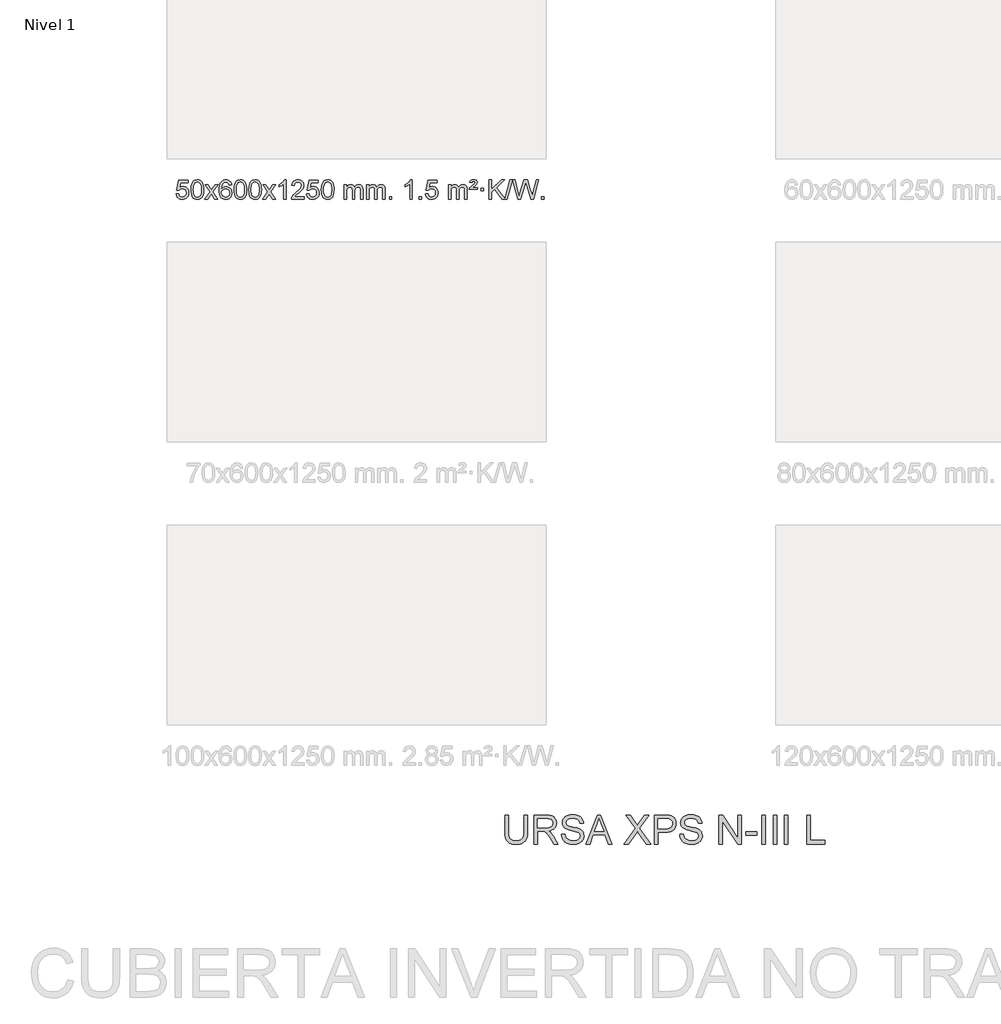
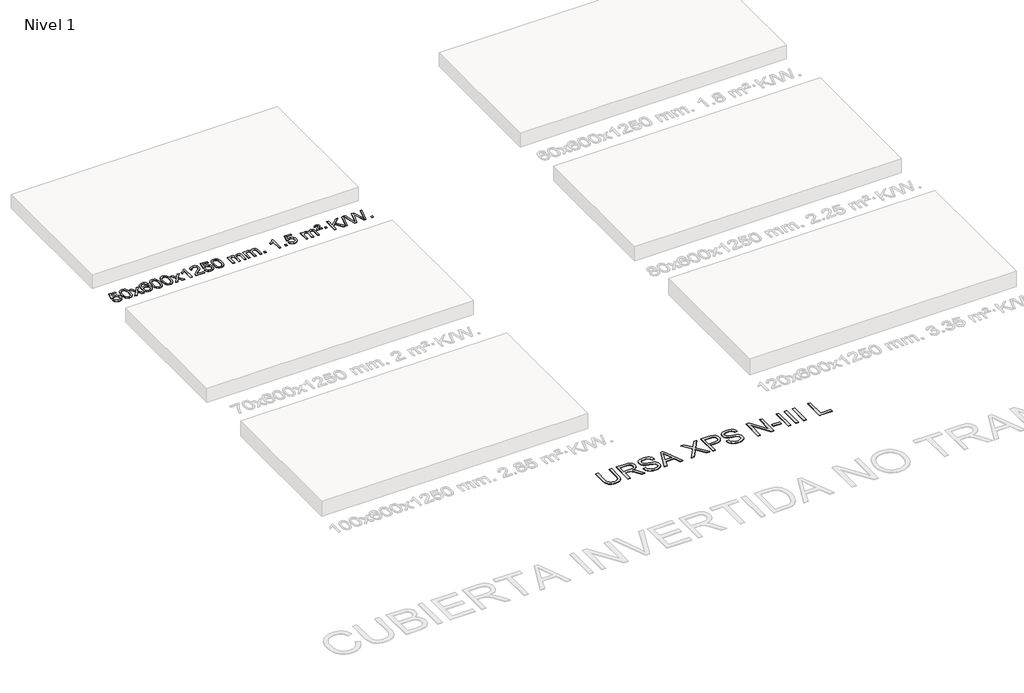
# One storey, part 4 of 7: 2 proxies.
"""IFC4 building model written with IfcOpenShell, lengths in millimetres."""

from ifc_helpers import new_model, si_unit, origin, origin_with_axes, place, context, project, spatial, polyline, outline, extrude, element, save

model = new_model("IFC4")

# Units and contexts
model_context = context("Model", 3, world=origin())
ifc_project = project(units=[si_unit("LENGTHUNIT", "METRE", prefix="MILLI")], contexts=[model_context])

# Site, building, storey
site = spatial("IfcSite", under=ifc_project)
building = spatial("IfcBuilding", under=site)
storey = spatial("IfcBuildingStorey", under=building, Name="Nivel 1", Elevation=0.0)

# Proxies
placement = place(None, origin())
element("IfcBuildingElementProxy", 1, Name="Texto de modelo 1", ObjectType="Texto de modelo 1", at=placement, inside=storey, context=model_context, shape_type="SweptSolid", body=[
    extrude(outline(polyline([(-25826.1503809, -877.8820273), (-25775.9222259, -871.603508), (-25766.7006505, -901.7575688), (-25750.6119446, -923.3522419), (-25727.7296845, -936.3384764), (-25698.1274466, -940.6672212), (-25678.9975829, -939.1619707), (-25662.124062, -934.6462192), (-25647.5068841, -927.1199667), (-25635.146049, -916.5832132), (-25625.3174684, -903.5571249), (-25618.2970537, -888.5628679), (-25612.6807219, -852.6698479), (-25617.9414344, -818.8737553), (-25624.5173251, -804.9555532), (-25633.723572, -793.0239138), (-25645.590832, -783.4528505), (-25660.149762, -776.6163768), (-25697.3426317, -771.1471978), (-25721.7086825, -773.3299643), (-25741.4394202, -779.8782638), (-25757.1970323, -789.9091796), (-25769.6437065, -802.5397947), (-25819.8718615, -796.2612753), (-25775.9222259, -589.0701357), (-25581.2881249, -589.0701357), (-25581.2881249, -639.2982907), (-25735.3080536, -639.2982907), (-25756.7923621, -749.9571949), (-25739.0665813, -737.2530033), (-25720.9116048, -728.1785808), (-25702.3274327, -722.7339272), (-25683.3140649, -720.9190427), (-25658.8529779, -723.1692543), (-25636.3845851, -729.9198889), (-25615.9088864, -741.1709466), (-25597.4258818, -756.9224273), (-25582.1250565, -776.2117066), (-25571.1958955, -798.0761598), (-25564.638399, -822.5157871), (-25562.4525668, -849.5305882), (-25564.4207355, -875.552108), (-25570.3252415, -899.7587433), (-25580.1660849, -922.1504941), (-25593.9432656, -942.7273604), (-25614.8144374, -963.8008673), (-25639.1682255, -978.8533723), (-25667.0046298, -987.8848753), (-25698.3236503, -990.8953763), (-25724.2440026, -988.9609301), (-25747.6566259, -983.1575916), (-25768.5615203, -973.4853608), (-25786.9586857, -959.9442377), (-25802.2656424, -943.2086726), (-25813.8999105, -923.9531159), (-25821.86149, -902.1775674), (-25826.1503809, -877.8820273)])), origin_with_axes(), (0.0, 0.0, 1.0), 10.0),
    extrude(outline(polyline([(-25518.5029311, -786.9415981), (-25514.8118484, -722.6235626), (-25503.7386004, -671.3285498), (-25485.3935515, -632.2717446), (-25473.5354886, -617.0383643), (-25459.8870665, -604.6683323), (-25444.4023002, -595.097269), (-25427.0352044, -588.2607953), (-25386.654024, -582.7916163), (-25355.7028855, -586.0289778), (-25327.9891085, -595.7410625), (-25304.8125428, -611.5477256), (-25287.4730381, -633.0688223), (-25274.3764391, -660.1204117), (-25263.9285904, -692.5185527), (-25257.0859853, -733.6600225), (-25254.805117, -786.9415981), (-25258.4594114, -850.8917516), (-25269.4222949, -902.0641372), (-25287.6569791, -941.1577305), (-25299.487451, -956.437096), (-25313.1266759, -968.8715075), (-25328.6298363, -978.5069501), (-25346.0521145, -985.3894091), (-25386.654024, -990.8953763), (-25414.3187501, -988.5041433), (-25438.8442164, -981.3304444), (-25460.2304231, -969.3742795), (-25478.47737, -952.6356488), (-25495.988553, -922.3773547), (-25508.4965408, -884.6755815), (-25516.0013335, -839.5303293), (-25518.5029311, -786.9415981)]), holes=[polyline([(-25468.274776, -786.8434963), (-25466.803248, -830.5080234), (-25462.3886641, -865.8522861), (-25455.0310242, -892.8762843), (-25444.7303283, -911.5800181), (-25432.2713914, -924.3056694), (-25418.4390284, -933.3954204), (-25403.2332393, -938.849271), (-25386.654024, -940.6672212), (-25370.0748088, -938.8431396), (-25354.8690196, -933.3708949), (-25341.0366566, -924.2504871), (-25328.5777197, -911.4819162), (-25318.2770239, -892.7475256), (-25310.919384, -865.7296588), (-25306.5048, -830.4283156), (-25305.033272, -786.8434963), (-25306.4557491, -744.3347317), (-25310.7231802, -709.6128027), (-25317.8355655, -682.6777093), (-25327.7929048, -663.5294515), (-25340.0433752, -650.1814664), (-25354.0351538, -640.6471914), (-25369.7682404, -634.9266264), (-25387.2426352, -633.0197713), (-25403.7360113, -634.6997658), (-25418.6842831, -639.7397491), (-25432.0874504, -648.1397213), (-25443.9455134, -659.8996825), (-25454.5895658, -680.7463289), (-25462.1924604, -708.8525133), (-25466.7541971, -744.2182358), (-25468.274776, -786.8434963)])]), origin_with_axes(), (0.0, 0.0, 1.0), 10.0),
    extrude(outline(polyline([(-25229.6910394, -984.6168569), (-25122.3675987, -836.2868364), (-25223.41252, -689.5264458), (-25162.981771, -689.5264458), (-25114.2251439, -760.1597889), (-25091.4655111, -793.5144231), (-25071.7470362, -766.2421045), (-25016.2213804, -689.5264458), (-24955.7906313, -689.5264458), (-25061.9368496, -836.2868364), (-24959.7147059, -984.6168569), (-25020.145455, -984.6168569), (-25081.6553246, -895.4422612), (-25092.9370391, -879.1573516), (-25169.2602903, -984.6168569), (-25229.6910394, -984.6168569)])), origin_with_axes(), (0.0, 0.0, 1.0), 10.0),
    extrude(outline(polyline([(-24670.9028142, -689.5264458), (-24721.1309693, -695.8049652), (-24729.2243732, -670.9116168), (-24740.1627312, -653.9154687), (-24762.9468894, -638.2436957), (-24790.4889881, -633.0197713), (-24813.8372321, -636.0609292), (-24835.8120499, -645.1844027), (-24854.6843963, -664.4001055), (-24870.0986519, -690.850821), (-24880.5097123, -728.2644199), (-24884.3724733, -780.3687731), (-24864.2248027, -756.8611137), (-24840.0794811, -740.2941611), (-24813.2854091, -730.4717119), (-24785.1914874, -727.1975621), (-24761.0584285, -729.4355109), (-24738.7893051, -736.1493573), (-24718.3841171, -747.3391013), (-24699.8428645, -763.004743), (-24684.4347403, -782.2143145), (-24673.4289372, -804.0358482), (-24666.8254554, -828.469344), (-24664.6242948, -855.514802), (-24668.7690986, -891.4813984), (-24681.2035101, -924.8237699), (-24700.8974596, -953.1016326), (-24726.8208775, -973.8747026), (-24757.7965415, -986.6402078), (-24792.6472291, -990.8953763), (-24822.5897579, -988.0749476), (-24849.6321502, -979.6136617), (-24873.7744061, -965.5115186), (-24895.0165257, -945.7685182), (-24912.3345706, -919.5507947), (-24924.7046027, -886.0244822), (-24932.1266219, -845.1895807), (-24934.6006284, -797.0460903), (-24931.8537761, -743.0716702), (-24923.6132194, -697.006713), (-24909.8789583, -658.8512188), (-24890.6509927, -628.6051874), (-24869.8104776, -608.56175), (-24845.6467619, -594.2450091), (-24818.1598455, -585.6549645), (-24787.3497284, -582.7916163), (-24764.2160823, -584.5635812), (-24743.2774654, -589.879476), (-24724.5338777, -598.7393008), (-24707.9853193, -611.1430554), (-24694.0793799, -626.6738069), (-24683.2636492, -644.9146225), (-24675.5381274, -665.8655021), (-24670.9028142, -689.5264458)]), holes=[polyline([(-24884.3724733, -854.7299871), (-24881.4662055, -876.9868478), (-24872.7474022, -898.2381644), (-24859.2093448, -916.5096368), (-24841.8453146, -929.8269651), (-24820.8883036, -937.9571571), (-24796.5713038, -940.6672212), (-24763.425136, -935.0508894), (-24749.5099995, -928.0304746), (-24737.366828, -918.201894), (-24727.5167876, -905.9636863), (-24720.4810444, -891.7143904), (-24714.8524499, -857.1825337), (-24720.407468, -824.036366), (-24727.3512407, -810.4155351), (-24737.0725224, -798.7628729), (-24749.2524821, -789.4278673), (-24763.5722888, -782.7600061), (-24798.6314429, -777.4257172), (-24831.7285598, -782.7600061), (-24859.4055485, -798.7628729), (-24870.3285781, -810.2622509), (-24878.1307421, -823.4232293), (-24882.8120405, -838.245808), (-24884.3724733, -854.7299871)])]), origin_with_axes(), (0.0, 0.0, 1.0), 10.0),
    extrude(outline(polyline([(-24620.6746591, -786.9415981), (-24616.9835765, -722.6235626), (-24605.9103284, -671.3285498), (-24587.5652796, -632.2717446), (-24575.7072166, -617.0383643), (-24562.0587946, -604.6683323), (-24546.5740283, -595.097269), (-24529.2069324, -588.2607953), (-24488.8257521, -582.7916163), (-24457.8746135, -586.0289778), (-24430.1608366, -595.7410625), (-24406.9842709, -611.5477256), (-24389.6447662, -633.0688223), (-24376.5481671, -660.1204117), (-24366.1003185, -692.5185527), (-24359.2577134, -733.6600225), (-24356.976845, -786.9415981), (-24360.6311395, -850.8917516), (-24371.5940229, -902.0641372), (-24389.8287072, -941.1577305), (-24401.659179, -956.437096), (-24415.298404, -968.8715075), (-24430.8015644, -978.5069501), (-24448.2238425, -985.3894091), (-24488.8257521, -990.8953763), (-24516.4904781, -988.5041433), (-24541.0159444, -981.3304444), (-24562.4021511, -969.3742795), (-24580.6490981, -952.6356488), (-24598.160281, -922.3773547), (-24610.6682689, -884.6755815), (-24618.1730616, -839.5303293), (-24620.6746591, -786.9415981)]), holes=[polyline([(-24570.4465041, -786.8434963), (-24568.9749761, -830.5080234), (-24564.5603921, -865.8522861), (-24557.2027522, -892.8762843), (-24546.9020564, -911.5800181), (-24534.4431195, -924.3056694), (-24520.6107564, -933.3954204), (-24505.4049673, -938.849271), (-24488.8257521, -940.6672212), (-24472.2465368, -938.8431396), (-24457.0407477, -933.3708949), (-24443.2083847, -924.2504871), (-24430.7494478, -911.4819162), (-24420.4487519, -892.7475256), (-24413.091112, -865.7296588), (-24408.676528, -830.4283156), (-24407.2050001, -786.8434963), (-24408.6274771, -744.3347317), (-24412.8949083, -709.6128027), (-24420.0072935, -682.6777093), (-24429.9646328, -663.5294515), (-24442.2151033, -650.1814664), (-24456.2068818, -640.6471914), (-24471.9399685, -634.9266264), (-24489.4143633, -633.0197713), (-24505.9077394, -634.6997658), (-24520.8560111, -639.7397491), (-24534.2591785, -648.1397213), (-24546.1172414, -659.8996825), (-24556.7612938, -680.7463289), (-24564.3641884, -708.8525133), (-24568.9259251, -744.2182358), (-24570.4465041, -786.8434963)])]), origin_with_axes(), (0.0, 0.0, 1.0), 10.0),
    extrude(outline(polyline([(-24313.0272093, -786.9415981), (-24309.3361266, -722.6235626), (-24298.2628786, -671.3285498), (-24279.9178297, -632.2717446), (-24268.0597668, -617.0383643), (-24254.4113447, -604.6683323), (-24238.9265784, -595.097269), (-24221.5594826, -588.2607953), (-24181.1783022, -582.7916163), (-24150.2271637, -586.0289778), (-24122.5133867, -595.7410625), (-24099.336821, -611.5477256), (-24081.9973163, -633.0688223), (-24068.9007173, -660.1204117), (-24058.4528686, -692.5185527), (-24051.6102635, -733.6600225), (-24049.3293952, -786.9415981), (-24052.9836896, -850.8917516), (-24063.9465731, -902.0641372), (-24082.1812573, -941.1577305), (-24094.0117292, -956.437096), (-24107.6509541, -968.8715075), (-24123.1541145, -978.5069501), (-24140.5763927, -985.3894091), (-24181.1783022, -990.8953763), (-24208.8430283, -988.5041433), (-24233.3684946, -981.3304444), (-24254.7547013, -969.3742795), (-24273.0016482, -952.6356488), (-24290.5128312, -922.3773547), (-24303.020819, -884.6755815), (-24310.5256117, -839.5303293), (-24313.0272093, -786.9415981)]), holes=[polyline([(-24262.7990542, -786.8434963), (-24261.3275262, -830.5080234), (-24256.9129423, -865.8522861), (-24249.5553024, -892.8762843), (-24239.2546065, -911.5800181), (-24226.7956696, -924.3056694), (-24212.9633066, -933.3954204), (-24197.7575175, -938.849271), (-24181.1783022, -940.6672212), (-24164.599087, -938.8431396), (-24149.3932978, -933.3708949), (-24135.5609348, -924.2504871), (-24123.1019979, -911.4819162), (-24112.8013021, -892.7475256), (-24105.4436622, -865.7296588), (-24101.0290782, -830.4283156), (-24099.5575502, -786.8434963), (-24100.9800273, -744.3347317), (-24105.2474584, -709.6128027), (-24112.3598437, -682.6777093), (-24122.317183, -663.5294515), (-24134.5676534, -650.1814664), (-24148.559432, -640.6471914), (-24164.2925187, -634.9266264), (-24181.7669134, -633.0197713), (-24198.2602895, -634.6997658), (-24213.2085613, -639.7397491), (-24226.6117286, -648.1397213), (-24238.4697916, -659.8996825), (-24249.113844, -680.7463289), (-24256.7167386, -708.8525133), (-24261.2784753, -744.2182358), (-24262.7990542, -786.8434963)])]), origin_with_axes(), (0.0, 0.0, 1.0), 10.0),
    extrude(outline(polyline([(-24024.2153176, -984.6168569), (-23916.8918769, -836.2868364), (-24017.9367982, -689.5264458), (-23957.5060492, -689.5264458), (-23908.7494221, -760.1597889), (-23885.9897893, -793.5144231), (-23866.2713144, -766.2421045), (-23810.7456586, -689.5264458), (-23750.3149095, -689.5264458), (-23856.4611278, -836.2868364), (-23754.2389841, -984.6168569), (-23814.6697332, -984.6168569), (-23876.1796028, -895.4422612), (-23887.4613173, -879.1573516), (-23963.7845685, -984.6168569), (-24024.2153176, -984.6168569)])), origin_with_axes(), (0.0, 0.0, 1.0), 10.0),
    extrude(outline(polyline([(-23534.4908056, -984.6168569), (-23584.7189607, -984.6168569), (-23584.7189607, -671.4757026), (-23605.6882344, -688.4350626), (-23632.2983654, -705.3698971), (-23685.1752709, -730.7292293), (-23685.1752709, -683.2479264), (-23645.7260583, -661.7881434), (-23611.5498209, -636.2571329), (-23584.6085961, -609.1074417), (-23566.8644212, -582.7916163), (-23534.4908056, -582.7916163), (-23534.4908056, -984.6168569)])), origin_with_axes(), (0.0, 0.0, 1.0), 10.0),
    extrude(outline(polyline([(-23157.7796426, -934.3887018), (-23157.7796426, -984.6168569), (-23421.4774567, -984.6168569), (-23420.3738107, -966.9339956), (-23416.0818541, -949.9868984), (-23403.6964936, -922.9230463), (-23385.572174, -896.6685346), (-23359.3544505, -869.1877495), (-23322.6888783, -838.4450775), (-23268.4875977, -790.301587), (-23235.9668293, -754.7641863), (-23219.7064451, -725.9222379), (-23214.286317, -697.8651044), (-23219.3998768, -672.7142386), (-23234.740556, -651.8062786), (-23258.3217919, -637.7163982), (-23288.1570217, -633.0197713), (-23319.4883049, -637.6060336), (-23343.8298303, -651.3648202), (-23359.5383915, -673.2170107), (-23364.9707823, -702.0834846), (-23415.1989373, -695.8049652), (-23410.8793896, -669.8754159), (-23403.0220433, -647.2200164), (-23391.6268985, -627.8387666), (-23376.6939552, -611.7316666), (-23358.5665699, -599.0703946), (-23337.5880991, -590.0266288), (-23313.7585429, -584.6003694), (-23287.0779012, -582.7916163), (-23260.1581362, -584.8027045), (-23236.1998212, -590.8359692), (-23215.2029563, -600.8914104), (-23197.1675415, -614.9690281), (-23182.682188, -632.02649), (-23172.3355069, -651.0214636), (-23166.1274982, -671.9539492), (-23164.058162, -694.8239465), (-23166.2899794, -718.8466408), (-23172.9854317, -742.4524022), (-23184.8680202, -766.4628337), (-23202.661246, -791.6995386), (-23231.0249478, -821.829074), (-23274.6189643, -860.5179972), (-23332.400963, -908.8331659), (-23355.0624939, -934.3887018), (-23157.7796426, -934.3887018)])), origin_with_axes(), (0.0, 0.0, 1.0), 10.0),
    extrude(outline(polyline([(-23107.5514875, -877.8820273), (-23057.3233324, -871.603508), (-23048.1017571, -901.7575688), (-23032.0130512, -923.3522419), (-23009.1307911, -936.3384764), (-22979.5285532, -940.6672212), (-22960.3986894, -939.1619707), (-22943.5251686, -934.6462192), (-22928.9079907, -927.1199667), (-22916.5471556, -916.5832132), (-22906.718575, -903.5571249), (-22899.6981602, -888.5628679), (-22894.0818284, -852.6698479), (-22899.342541, -818.8737553), (-22905.9184316, -804.9555532), (-22915.1246786, -793.0239138), (-22926.9919386, -783.4528505), (-22941.5508686, -776.6163768), (-22978.7437383, -771.1471978), (-23003.1097891, -773.3299643), (-23022.8405268, -779.8782638), (-23038.5981389, -789.9091796), (-23051.044813, -802.5397947), (-23101.2729681, -796.2612753), (-23057.3233324, -589.0701357), (-22862.6892315, -589.0701357), (-22862.6892315, -639.2982907), (-23016.7091602, -639.2982907), (-23038.1934687, -749.9571949), (-23020.4676879, -737.2530033), (-23002.3127114, -728.1785808), (-22983.7285393, -722.7339272), (-22964.7151715, -720.9190427), (-22940.2540845, -723.1692543), (-22917.7856917, -729.9198889), (-22897.3099929, -741.1709466), (-22878.8269884, -756.9224273), (-22863.5261631, -776.2117066), (-22852.5970021, -798.0761598), (-22846.0395056, -822.5157871), (-22843.8536734, -849.5305882), (-22845.821842, -875.552108), (-22851.7263481, -899.7587433), (-22861.5671914, -922.1504941), (-22875.3443722, -942.7273604), (-22896.215544, -963.8008673), (-22920.5693321, -978.8533723), (-22948.4057364, -987.8848753), (-22979.7247569, -990.8953763), (-23005.6451092, -988.9609301), (-23029.0577325, -983.1575916), (-23049.9626268, -973.4853608), (-23068.3597923, -959.9442377), (-23083.666749, -943.2086726), (-23095.3010171, -923.9531159), (-23103.2625966, -902.1775674), (-23107.5514875, -877.8820273)])), origin_with_axes(), (0.0, 0.0, 1.0), 10.0),
    extrude(outline(polyline([(-22799.9040377, -786.9415981), (-22796.212955, -722.6235626), (-22785.1397069, -671.3285498), (-22766.7946581, -632.2717446), (-22754.9365951, -617.0383643), (-22741.2881731, -604.6683323), (-22725.8034068, -595.097269), (-22708.4363109, -588.2607953), (-22668.0551306, -582.7916163), (-22637.1039921, -586.0289778), (-22609.3902151, -595.7410625), (-22586.2136494, -611.5477256), (-22568.8741447, -633.0688223), (-22555.7775457, -660.1204117), (-22545.329697, -692.5185527), (-22538.4870919, -733.6600225), (-22536.2062235, -786.9415981), (-22539.860518, -850.8917516), (-22550.8234015, -902.0641372), (-22569.0580857, -941.1577305), (-22580.8885575, -956.437096), (-22594.5277825, -968.8715075), (-22610.0309429, -978.5069501), (-22627.4532211, -985.3894091), (-22668.0551306, -990.8953763), (-22695.7198566, -988.5041433), (-22720.245323, -981.3304444), (-22741.6315296, -969.3742795), (-22759.8784766, -952.6356488), (-22777.3896596, -922.3773547), (-22789.8976474, -884.6755815), (-22797.4024401, -839.5303293), (-22799.9040377, -786.9415981)]), holes=[polyline([(-22749.6758826, -786.8434963), (-22748.2043546, -830.5080234), (-22743.7897707, -865.8522861), (-22736.4321308, -892.8762843), (-22726.1314349, -911.5800181), (-22713.672498, -924.3056694), (-22699.840135, -933.3954204), (-22684.6343459, -938.849271), (-22668.0551306, -940.6672212), (-22651.4759154, -938.8431396), (-22636.2701262, -933.3708949), (-22622.4377632, -924.2504871), (-22609.9788263, -911.4819162), (-22599.6781304, -892.7475256), (-22592.3204905, -865.7296588), (-22587.9059066, -830.4283156), (-22586.4343786, -786.8434963), (-22587.8568557, -744.3347317), (-22592.1242868, -709.6128027), (-22599.236672, -682.6777093), (-22609.1940114, -663.5294515), (-22621.4444818, -650.1814664), (-22635.4362604, -640.6471914), (-22651.169347, -634.9266264), (-22668.6437418, -633.0197713), (-22685.1371179, -634.6997658), (-22700.0853897, -639.7397491), (-22713.488557, -648.1397213), (-22725.34662, -659.8996825), (-22735.9906724, -680.7463289), (-22743.5935669, -708.8525133), (-22748.1553037, -744.2182358), (-22749.6758826, -786.8434963)])]), origin_with_axes(), (0.0, 0.0, 1.0), 10.0),
    extrude(outline(polyline([(-22322.7365645, -984.6168569), (-22322.7365645, -689.5264458), (-22272.5084094, -689.5264458), (-22272.5084094, -738.0868692), (-22257.4007221, -715.7809575), (-22237.9765528, -698.3065628), (-22214.8980889, -687.0125855), (-22188.8275182, -683.2479264), (-22160.8930121, -687.0861619), (-22138.5012613, -698.6008684), (-22121.7748932, -717.0317563), (-22110.8365352, -741.6185363), (-22092.5282746, -716.0813945), (-22071.64484, -697.8405789), (-22048.1862315, -686.8960895), (-22022.1524489, -683.2479264), (-22002.0446322, -684.7654397), (-21984.3954935, -689.3179793), (-21969.2050328, -696.9055455), (-21956.4732501, -707.5281381), (-21946.4086118, -721.3083845), (-21939.2195845, -738.368912), (-21934.9061681, -758.7097207), (-21933.4683626, -782.3308105), (-21933.4683626, -984.6168569), (-21983.6965177, -984.6168569), (-21983.6965177, -803.9132208), (-21984.8614774, -778.860457), (-21988.3563563, -761.9746734), (-21994.9046558, -750.410916), (-22005.2298772, -741.3242307), (-22018.5104172, -735.4381188), (-22033.9246728, -733.4760815), (-22061.1356777, -738.5038021), (-22083.318962, -753.5869639), (-22091.924335, -765.1568526), (-22098.07103, -779.7556365), (-22102.988386, -818.0398895), (-22102.988386, -984.6168569), (-22153.2165411, -984.6168569), (-22153.2165411, -798.3214145), (-22156.1228088, -769.9209245), (-22164.8416121, -749.6628893), (-22180.1822913, -737.5227834), (-22202.9541868, -733.4760815), (-22222.3047798, -736.1738828), (-22240.1347938, -744.2672867), (-22254.8500736, -757.5600894), (-22264.8564639, -775.8560873), (-22270.595423, -801.239945), (-22272.5084094, -835.7963271), (-22272.5084094, -984.6168569), (-22322.7365645, -984.6168569)])), origin_with_axes(), (0.0, 0.0, 1.0), 10.0),
    extrude(outline(polyline([(-21858.12613, -984.6168569), (-21858.12613, -689.5264458), (-21807.8979749, -689.5264458), (-21807.8979749, -738.0868692), (-21792.7902877, -715.7809575), (-21773.3661183, -698.3065628), (-21750.2876545, -687.0125855), (-21724.2170838, -683.2479264), (-21696.2825776, -687.0861619), (-21673.8908268, -698.6008684), (-21657.1644588, -717.0317563), (-21646.2261008, -741.6185363), (-21627.9178402, -716.0813945), (-21607.0344056, -697.8405789), (-21583.575797, -686.8960895), (-21557.5420145, -683.2479264), (-21537.4341978, -684.7654397), (-21519.7850591, -689.3179793), (-21504.5945983, -696.9055455), (-21491.8628156, -707.5281381), (-21481.7981774, -721.3083845), (-21474.6091501, -738.368912), (-21470.2957337, -758.7097207), (-21468.8579282, -782.3308105), (-21468.8579282, -984.6168569), (-21519.0860833, -984.6168569), (-21519.0860833, -803.9132208), (-21520.2510429, -778.860457), (-21523.7459219, -761.9746734), (-21530.2942214, -750.410916), (-21540.6194427, -741.3242307), (-21553.8999827, -735.4381188), (-21569.3142383, -733.4760815), (-21596.5252433, -738.5038021), (-21618.7085276, -753.5869639), (-21627.3139006, -765.1568526), (-21633.4605956, -779.7556365), (-21638.3779516, -818.0398895), (-21638.3779516, -984.6168569), (-21688.6061066, -984.6168569), (-21688.6061066, -798.3214145), (-21691.5123744, -769.9209245), (-21700.2311777, -749.6628893), (-21715.5718569, -737.5227834), (-21738.3437524, -733.4760815), (-21757.6943453, -736.1738828), (-21775.5243594, -744.2672867), (-21790.2396392, -757.5600894), (-21800.2460294, -775.8560873), (-21805.9849886, -801.239945), (-21807.8979749, -835.7963271), (-21807.8979749, -984.6168569), (-21858.12613, -984.6168569)])), origin_with_axes(), (0.0, 0.0, 1.0), 10.0),
    extrude(outline(polyline([(-21380.9586568, -984.6168569), (-21380.9586568, -934.3887018), (-21330.7305017, -934.3887018), (-21330.7305017, -984.6168569), (-21380.9586568, -984.6168569)])), origin_with_axes(), (0.0, 0.0, 1.0), 10.0),
    extrude(outline(polyline([(-20903.7911836, -984.6168569), (-20954.0193387, -984.6168569), (-20954.0193387, -671.4757026), (-20974.9886124, -688.4350626), (-21001.5987434, -705.3698971), (-21054.4756488, -730.7292293), (-21054.4756488, -683.2479264), (-21015.0264362, -661.7881434), (-20980.8501989, -636.2571329), (-20953.9089741, -609.1074417), (-20936.1647992, -582.7916163), (-20903.7911836, -582.7916163), (-20903.7911836, -984.6168569)])), origin_with_axes(), (0.0, 0.0, 1.0), 10.0),
    extrude(outline(polyline([(-20759.3852378, -984.6168569), (-20759.3852378, -934.3887018), (-20709.1570827, -934.3887018), (-20709.1570827, -984.6168569), (-20759.3852378, -984.6168569)])), origin_with_axes(), (0.0, 0.0, 1.0), 10.0),
    extrude(outline(polyline([(-20627.5363307, -877.8820273), (-20577.3081756, -871.603508), (-20568.0866003, -901.7575688), (-20551.9978943, -923.3522419), (-20529.1156342, -936.3384764), (-20499.5133964, -940.6672212), (-20480.3835326, -939.1619707), (-20463.5100118, -934.6462192), (-20448.8928338, -927.1199667), (-20436.5319988, -916.5832132), (-20426.7034182, -903.5571249), (-20419.6830034, -888.5628679), (-20414.0666716, -852.6698479), (-20419.3273842, -818.8737553), (-20425.9032748, -804.9555532), (-20435.1095217, -793.0239138), (-20446.9767818, -783.4528505), (-20461.5357117, -776.6163768), (-20498.7285814, -771.1471978), (-20523.0946323, -773.3299643), (-20542.8253699, -779.8782638), (-20558.5829821, -789.9091796), (-20571.0296562, -802.5397947), (-20621.2578113, -796.2612753), (-20577.3081756, -589.0701357), (-20382.6740747, -589.0701357), (-20382.6740747, -639.2982907), (-20536.6940033, -639.2982907), (-20558.1783119, -749.9571949), (-20540.4525311, -737.2530033), (-20522.2975546, -728.1785808), (-20503.7133825, -722.7339272), (-20484.7000147, -720.9190427), (-20460.2389277, -723.1692543), (-20437.7705348, -729.9198889), (-20417.2948361, -741.1709466), (-20398.8118316, -756.9224273), (-20383.5110062, -776.2117066), (-20372.5818453, -798.0761598), (-20366.0243487, -822.5157871), (-20363.8385165, -849.5305882), (-20365.8066852, -875.552108), (-20371.7111912, -899.7587433), (-20381.5520346, -922.1504941), (-20395.3292153, -942.7273604), (-20416.2003872, -963.8008673), (-20440.5541753, -978.8533723), (-20468.3905796, -987.8848753), (-20499.7096001, -990.8953763), (-20525.6299523, -988.9609301), (-20549.0425757, -983.1575916), (-20569.94747, -973.4853608), (-20588.3446355, -959.9442377), (-20603.6515922, -943.2086726), (-20615.2858603, -923.9531159), (-20623.2474398, -902.1775674), (-20627.5363307, -877.8820273)])), origin_with_axes(), (0.0, 0.0, 1.0), 10.0),
    extrude(outline(polyline([(-20150.3688575, -984.6168569), (-20150.3688575, -689.5264458), (-20100.1407024, -689.5264458), (-20100.1407024, -738.0868692), (-20085.0330151, -715.7809575), (-20065.6088458, -698.3065628), (-20042.530382, -687.0125855), (-20016.4598112, -683.2479264), (-19988.5253051, -687.0861619), (-19966.1335543, -698.6008684), (-19949.4071862, -717.0317563), (-19938.4688283, -741.6185363), (-19920.1605676, -716.0813945), (-19899.277133, -697.8405789), (-19875.8185245, -686.8960895), (-19849.784742, -683.2479264), (-19829.6769252, -684.7654397), (-19812.0277865, -689.3179793), (-19796.8373258, -696.9055455), (-19784.1055431, -707.5281381), (-19774.0409048, -721.3083845), (-19766.8518775, -738.368912), (-19762.5384611, -758.7097207), (-19761.1006556, -782.3308105), (-19761.1006556, -984.6168569), (-19811.3288107, -984.6168569), (-19811.3288107, -803.9132208), (-19812.4937704, -778.860457), (-19815.9886493, -761.9746734), (-19822.5369488, -750.410916), (-19832.8621702, -741.3242307), (-19846.1427102, -735.4381188), (-19861.5569658, -733.4760815), (-19888.7679707, -738.5038021), (-19910.951255, -753.5869639), (-19919.556628, -765.1568526), (-19925.703323, -779.7556365), (-19930.620679, -818.0398895), (-19930.620679, -984.6168569), (-19980.8488341, -984.6168569), (-19980.8488341, -798.3214145), (-19983.7551019, -769.9209245), (-19992.4739051, -749.6628893), (-20007.8145843, -737.5227834), (-20030.5864798, -733.4760815), (-20049.9370728, -736.1738828), (-20067.7670868, -744.2672867), (-20082.4823666, -757.5600894), (-20092.4887569, -775.8560873), (-20098.227716, -801.239945), (-20100.1407024, -835.7963271), (-20100.1407024, -984.6168569), (-20150.3688575, -984.6168569)])), origin_with_axes(), (0.0, 0.0, 1.0), 10.0),
    extrude(outline(polyline([(-19717.15102, -783.7042366), (-19713.3250472, -767.8853108), (-19704.9863887, -752.0173341), (-19683.4775547, -726.878731), (-19651.520872, -699.1404286), (-19607.3750326, -661.7636179), (-19600.2381219, -650.2366487), (-19597.8591517, -638.4153739), (-19599.7476126, -626.324319), (-19605.4129953, -616.538658), (-19614.7817234, -610.0639348), (-19627.7802206, -607.9056938), (-19640.214632, -609.5243746), (-19649.0683254, -614.3804169), (-19655.4939976, -623.8472469), (-19660.6443455, -639.2982907), (-19710.8725006, -633.0197713), (-19700.0322444, -607.8075919), (-19683.4039783, -590.247358), (-19659.6388014, -579.9466622), (-19627.3878131, -576.5130969), (-19591.6051577, -580.645638), (-19566.8589622, -593.0432612), (-19552.437988, -611.3760473), (-19547.6309966, -633.3140769), (-19551.7267495, -656.2208625), (-19564.0140081, -677.8523238), (-19584.5418234, -697.6689006), (-19621.0111919, -725.7260341), (-19646.6157788, -752.3116396), (-19547.6309966, -752.3116396), (-19547.6309966, -783.7042366), (-19717.15102, -783.7042366)])), origin_with_axes(), (0.0, 0.0, 1.0), 10.0),
    extrude(outline(polyline([(-19472.288764, -808.8183141), (-19472.288764, -758.590159), (-19422.0606089, -758.590159), (-19422.0606089, -808.8183141), (-19472.288764, -808.8183141)])), origin_with_axes(), (0.0, 0.0, 1.0), 10.0),
    extrude(outline(polyline([(-19031.4189809, -984.6168569), (-19184.8502984, -781.938403), (-19252.5405855, -846.4894304), (-19252.5405855, -984.6168569), (-19302.7687406, -984.6168569), (-19302.7687406, -582.7916163), (-19252.5405855, -582.7916163), (-19252.5405855, -779.4858564), (-19046.5266682, -582.7916163), (-18976.2857326, -582.7916163), (-19149.2393213, -747.9951576), (-18974.5857114, -978.5723371), (-18863.2723837, -582.7916163), (-18817.9493219, -582.7916163), (-18930.9626708, -984.6168569), (-18970.0072132, -984.6168569), (-18976.2857326, -984.6168569), (-19031.4189809, -984.6168569)])), origin_with_axes(), (0.0, 0.0, 1.0), 10.0),
    extrude(outline(polyline([(-18703.464445, -984.6168569), (-18813.0442286, -582.7916163), (-18761.2464437, -582.7916163), (-18697.6764349, -846.8818379), (-18678.0560618, -928.404488), (-18657.0622627, -856.299617), (-18577.403548, -582.7916163), (-18502.7480284, -582.7916163), (-18444.8679278, -781.0554862), (-18420.0726814, -854.6318852), (-18401.8012089, -928.404488), (-18382.7694471, -849.2362826), (-18318.6108271, -582.7916163), (-18266.8130422, -582.7916163), (-18376.4909277, -984.6168569), (-18430.152648, -984.6168569), (-18526.4886798, -674.6149623), (-18539.9286354, -631.3520396), (-18555.0363227, -683.4441302), (-18642.8374922, -984.6168569), (-18703.464445, -984.6168569)])), origin_with_axes(), (0.0, 0.0, 1.0), 10.0),
    extrude(outline(polyline([(-18210.3063677, -984.6168569), (-18210.3063677, -934.3887018), (-18160.0782126, -934.3887018), (-18160.0782126, -984.6168569), (-18210.3063677, -984.6168569)])), origin_with_axes(), (0.0, 0.0, 1.0), 10.0),
])
element("IfcBuildingElementProxy", 2, Name="Texto de modelo 3", ObjectType="Texto de modelo 3", at=placement, inside=storey, context=model_context, shape_type="SweptSolid", body=[
    extrude(outline(polyline([(-18576.063677, -13823.3522814), (-18500.7214443, -13823.3522814), (-18500.7214443, -14171.0743432), (-18505.8350041, -14252.5050228), (-18512.2269537, -14286.1984151), (-18521.1756833, -14315.2105089), (-18533.4537449, -14340.6403518), (-18549.8336907, -14363.5869913), (-18570.3155208, -14384.0504273), (-18594.8992351, -14402.0306598), (-18623.6124248, -14416.6769617), (-18656.4826811, -14427.1386059), (-18693.5100039, -14433.4155925), (-18734.6943933, -14435.5079213), (-18774.8625086, -14433.6869055), (-18811.1954542, -14428.2238578), (-18843.6932299, -14419.1187784), (-18872.3558359, -14406.3716673), (-18897.1878705, -14390.1710639), (-18918.1939325, -14370.7055079), (-18935.3740216, -14347.9749991), (-18948.7281381, -14321.9795376), (-18958.7391269, -14291.8270096), (-18965.8898331, -14256.6253012), (-18970.1802569, -14216.3744124), (-18971.6103982, -14171.0743432), (-18971.6103982, -13823.3522814), (-18896.2681656, -13823.3522814), (-18896.2681656, -14168.4255928), (-18892.5525574, -14236.134274), (-18881.405733, -14283.2783517), (-18872.6409444, -14300.6561775), (-18861.2090114, -14315.9278788), (-18847.109934, -14329.0934557), (-18830.343712, -14340.1529082), (-18790.0974218, -14355.1624936), (-18741.7577276, -14360.1656887), (-18700.2330474, -14357.6916823), (-18665.127908, -14350.269663), (-18636.4423094, -14337.899631), (-18614.1762517, -14320.581586), (-18597.5020002, -14296.227798), (-18585.5918206, -14262.7505364), (-18578.4457129, -14220.1498014), (-18576.063677, -14168.4255928), (-18576.063677, -13823.3522814)])), origin_with_axes(), (0.0, 0.0, 1.0), 10.0),
    extrude(outline(polyline([(-18368.8725373, -14426.0901423), (-18368.8725373, -13823.3522814), (-18109.1478487, -13823.3522814), (-18039.3422401, -13827.4173774), (-17988.5561307, -13839.6126655), (-17968.9572174, -13849.3063561), (-17951.4368373, -13862.1270436), (-17935.9949906, -13878.0747281), (-17922.6316771, -13897.1494096), (-17911.8481361, -13918.3256169), (-17904.1456069, -13940.5778791), (-17899.5240893, -13963.9061961), (-17897.9835834, -13988.310568), (-17900.5357648, -14019.2678379), (-17908.1923088, -14047.686722), (-17920.9532155, -14073.5672204), (-17938.8184849, -14096.909333), (-17962.0180432, -14116.9680988), (-17990.7818167, -14132.9985567), (-18025.1098054, -14145.0007068), (-18065.0020093, -14152.974549), (-18040.1699746, -14169.198145), (-18022.180545, -14185.2010118), (-17991.3152456, -14221.8052703), (-17961.1121338, -14262.7505364), (-17860.6067727, -14426.0901423), (-17948.1626876, -14426.0901423), (-18026.595129, -14301.1574167), (-18083.2489562, -14218.4575442), (-18104.3102004, -14194.3428794), (-18123.0537881, -14179.3884763), (-18158.8854944, -14165.0410785), (-18202.5898755, -14162.3923281), (-18293.5303047, -14162.3923281), (-18293.5303047, -14426.0901423), (-18368.8725373, -14426.0901423)]), holes=[polyline([(-18293.5303047, -14087.0500955), (-18124.8931981, -14087.0500955), (-18076.4615334, -14084.382951), (-18038.8823876, -14076.3815176), (-18010.5922622, -14062.5123664), (-17990.0276586, -14042.2420685), (-17977.5012767, -14017.7227335), (-17973.3258161, -13991.1064712), (-17975.3169774, -13971.8386517), (-17981.2904613, -13954.3550598), (-17991.2462677, -13938.6556957), (-18005.1843968, -13924.7405592), (-18023.4267453, -13913.3454144), (-18046.2952098, -13905.2060253), (-18073.7897904, -13900.3223918), (-18105.9104871, -13898.694514), (-18293.5303047, -13898.694514), (-18293.5303047, -14087.0500955)])]), origin_with_axes(), (0.0, 0.0, 1.0), 10.0),
    extrude(outline(polyline([(-17794.3880136, -14218.8990026), (-17719.045781, -14218.8990026), (-17710.4005541, -14260.7087913), (-17694.7655693, -14294.3148116), (-17670.374993, -14320.9862562), (-17635.4629917, -14341.9923182), (-17592.7886802, -14355.6223461), (-17545.1111737, -14360.1656887), (-17503.135838, -14356.7259921), (-17466.3844267, -14346.4069021), (-17436.6043792, -14330.0729415), (-17415.543135, -14308.588633), (-17403.016753, -14283.9221452), (-17398.8412924, -14258.0416469), (-17401.9682894, -14232.8233361), (-17411.3492802, -14211.0263279), (-17430.4055676, -14192.429893), (-17462.558454, -14176.8133023), (-17572.2608649, -14148.0449303), (-17644.2737655, -14129.007037), (-17690.3509854, -14110.8888488), (-17727.8565548, -14085.5417793), (-17754.4360289, -14054.8236327), (-17770.2733488, -14019.3965966), (-17775.5524555, -13979.9228585), (-17773.9199791, -13957.4866553), (-17769.02255, -13935.7954132), (-17760.8601683, -13914.8491321), (-17749.4328338, -13894.647812), (-17734.8693053, -13876.014589), (-17717.2983415, -13859.7725989), (-17696.7199424, -13845.9218418), (-17673.134108, -13834.4623176), (-17620.1223125, -13819.0664561), (-17561.4451343, -13813.9345023), (-17497.8751255, -13819.3055794), (-17442.2513678, -13835.4188108), (-17417.9159738, -13847.4209609), (-17396.560424, -13861.9431027), (-17378.1847184, -13878.9852361), (-17362.7888569, -13898.5473612), (-17350.4924012, -13920.0592608), (-17341.4149129, -13942.950718), (-17335.5563922, -13967.2217326), (-17332.9168389, -13992.8723047), (-17408.2590715, -13992.8723047), (-17413.2990548, -13968.8312163), (-17422.0914345, -13947.9171249), (-17434.6362105, -13930.1300305), (-17450.9333829, -13915.4699329), (-17471.2864543, -13904.0104088), (-17495.9989273, -13895.8250344), (-17525.070802, -13890.9138098), (-17558.5020783, -13889.2767349), (-17593.0002124, -13890.8954157), (-17622.4767573, -13895.751458), (-17646.9317129, -13903.8448619), (-17666.3650793, -13915.1756274), (-17681.1723296, -13928.7964582), (-17691.748937, -13943.7600584), (-17698.0949014, -13960.0664278), (-17700.2102228, -13977.7155665), (-17698.7111037, -13992.8998959), (-17694.2137463, -14006.6678796), (-17686.7181507, -14019.0195175), (-17676.2243168, -14029.9548098), (-17659.7064152, -14040.310688), (-17633.6971581, -14050.7769308), (-17553.2045776, -14072.0405101), (-17470.1368231, -14092.2372316), (-17419.8841425, -14109.8587792), (-17376.9339196, -14137.1924114), (-17360.328646, -14153.2596576), (-17346.9699311, -14170.9271904), (-17336.7014249, -14190.1030394), (-17329.3667776, -14210.6952341), (-17323.4990598, -14256.1286605), (-17325.1867184, -14279.6961008), (-17330.2496944, -14302.5737624), (-17338.6879877, -14324.7616452), (-17350.5015982, -14346.2597493), (-17365.4835925, -14366.2357416), (-17383.4270368, -14383.8572892), (-17404.3319312, -14399.124392), (-17428.1982756, -14412.03705), (-17454.3316928, -14422.3055562), (-17482.0378056, -14429.6402035), (-17542.1681177, -14435.5079213), (-17580.7083552, -14433.9260288), (-17615.98364, -14429.180351), (-17647.9939722, -14421.2708881), (-17676.7393515, -14410.1976401), (-17702.3945222, -14395.9422127), (-17725.134228, -14378.4862121), (-17744.958469, -14357.829638), (-17761.8672452, -14333.9724907), (-17775.4880761, -14307.6873221), (-17785.4484811, -14279.7466846), (-17791.7484603, -14250.1505781), (-17794.3880136, -14218.8990026)])), origin_with_axes(), (0.0, 0.0, 1.0), 10.0),
    extrude(outline(polyline([(-17280.6775955, -14426.0901423), (-17040.0827707, -13823.3522814), (-16975.9241507, -13823.3522814), (-16735.3293259, -14426.0901423), (-16814.9389896, -14426.0901423), (-16883.9536519, -14237.7345607), (-17132.2004223, -14237.7345607), (-17201.0679318, -14426.0901423), (-17280.6775955, -14426.0901423)]), holes=[polyline([(-17104.5356963, -14162.3923281), (-16911.4712252, -14162.3923281), (-16965.7706077, -14014.2094605), (-17008.0034607, -13898.694514), (-17045.5274242, -14001.2600142), (-17104.5356963, -14162.3923281)])]), origin_with_axes(), (0.0, 0.0, 1.0), 10.0),
    extrude(outline(polyline([(-16485.316722, -14426.0901423), (-16252.9624538, -14097.645097), (-16447.6456057, -13823.3522814), (-16357.2937876, -13823.3522814), (-16247.6649531, -13977.7155665), (-16221.5085432, -14016.8214226), (-16210.7296008, -14037.9010609), (-16167.4666781, -13976.6854969), (-16059.015066, -13823.3522814), (-15967.3388728, -13823.3522814), (-16162.0220246, -14098.5280137), (-15929.6677565, -14426.0901423), (-16020.0195745, -14426.0901423), (-16174.824318, -14207.7153899), (-16207.0507808, -14162.3923281), (-16242.5146052, -14212.1299739), (-16393.6405288, -14426.0901423), (-16485.316722, -14426.0901423)])), origin_with_axes(), (0.0, 0.0, 1.0), 10.0),
    extrude(outline(polyline([(-15854.3255238, -14426.0901423), (-15854.3255238, -13823.3522814), (-15630.9475764, -13823.3522814), (-15578.9290623, -13824.7870211), (-15540.890064, -13829.0912405), (-15500.7357442, -13839.8150006), (-15467.6815469, -13857.2710013), (-15441.0652846, -13882.2501888), (-15420.2247695, -13915.5435093), (-15406.7602885, -13954.8149123), (-15402.2721282, -13997.7283471), (-15405.3025561, -14034.7280787), (-15414.3938399, -14068.7663603), (-15429.5459796, -14099.8431919), (-15450.7589751, -14127.9585734), (-15479.8814336, -14151.2638978), (-15518.7619619, -14167.910558), (-15567.4005602, -14177.8985542), (-15625.7972284, -14181.2278863), (-15778.9832912, -14181.2278863), (-15778.9832912, -14426.0901423), (-15854.3255238, -14426.0901423)]), holes=[polyline([(-15778.9832912, -14105.8856537), (-15621.3826445, -14105.8856537), (-15585.146268, -14104.1566083), (-15554.5752742, -14098.9694721), (-15529.6696631, -14090.3242453), (-15510.4294348, -14078.2209276), (-15496.0728399, -14062.981416), (-15485.8181293, -14044.9276071), (-15479.6653029, -14024.0595009), (-15477.6143608, -14000.3770974), (-15482.452009, -13966.5319539), (-15496.9649537, -13937.9843111), (-15519.3505731, -13916.5000025), (-15547.8062455, -13903.8448619), (-15576.8689231, -13899.982101), (-15623.1484781, -13898.694514), (-15778.9832912, -13898.694514), (-15778.9832912, -14105.8856537)])]), origin_with_axes(), (0.0, 0.0, 1.0), 10.0),
    extrude(outline(polyline([(-15326.9298956, -14218.8990026), (-15251.5876629, -14218.8990026), (-15242.9424361, -14260.7087913), (-15227.3074513, -14294.3148116), (-15202.916875, -14320.9862562), (-15168.0048736, -14341.9923182), (-15125.3305622, -14355.6223461), (-15077.6530556, -14360.1656887), (-15035.67772, -14356.7259921), (-14998.9263087, -14346.4069021), (-14969.1462611, -14330.0729415), (-14948.0850169, -14308.588633), (-14935.558635, -14283.9221452), (-14931.3831743, -14258.0416469), (-14934.5101713, -14232.8233361), (-14943.8911622, -14211.0263279), (-14962.9474495, -14192.429893), (-14995.1003359, -14176.8133023), (-15104.8027469, -14148.0449303), (-15176.8156474, -14129.007037), (-15222.8928673, -14110.8888488), (-15260.3984367, -14085.5417793), (-15286.9779109, -14054.8236327), (-15302.8152308, -14019.3965966), (-15308.0943374, -13979.9228585), (-15306.461861, -13957.4866553), (-15301.564432, -13935.7954132), (-15293.4020502, -13914.8491321), (-15281.9747157, -13894.647812), (-15267.4111873, -13876.014589), (-15249.8402235, -13859.7725989), (-15229.2618244, -13845.9218418), (-15205.6759899, -13834.4623176), (-15152.6641944, -13819.0664561), (-15093.9870162, -13813.9345023), (-15030.4170074, -13819.3055794), (-14974.7932498, -13835.4188108), (-14950.4578558, -13847.4209609), (-14929.102306, -13861.9431027), (-14910.7266003, -13878.9852361), (-14895.3307388, -13898.5473612), (-14883.0342831, -13920.0592608), (-14873.9567949, -13942.950718), (-14868.0982741, -13967.2217326), (-14865.4587208, -13992.8723047), (-14940.8009534, -13992.8723047), (-14945.8409368, -13968.8312163), (-14954.6333164, -13947.9171249), (-14967.1780925, -13930.1300305), (-14983.4752649, -13915.4699329), (-15003.8283362, -13904.0104088), (-15028.5408093, -13895.8250344), (-15057.6126839, -13890.9138098), (-15091.0439602, -13889.2767349), (-15125.5420943, -13890.8954157), (-15155.0186392, -13895.751458), (-15179.4735948, -13903.8448619), (-15198.9069612, -13915.1756274), (-15213.7142115, -13928.7964582), (-15224.2908189, -13943.7600584), (-15230.6367833, -13960.0664278), (-15232.7521048, -13977.7155665), (-15231.2529857, -13992.8998959), (-15226.7556283, -14006.6678796), (-15219.2600326, -14019.0195175), (-15208.7661987, -14029.9548098), (-15192.2482971, -14040.310688), (-15166.2390401, -14050.7769308), (-15085.7464595, -14072.0405101), (-15002.678705, -14092.2372316), (-14952.4260245, -14109.8587792), (-14909.4758015, -14137.1924114), (-14892.870528, -14153.2596576), (-14879.511813, -14170.9271904), (-14869.2433068, -14190.1030394), (-14861.9086596, -14210.6952341), (-14856.0409417, -14256.1286605), (-14857.7286004, -14279.6961008), (-14862.7915763, -14302.5737624), (-14871.2298696, -14324.7616452), (-14883.0434802, -14346.2597493), (-14898.0254744, -14366.2357416), (-14915.9689187, -14383.8572892), (-14936.8738131, -14399.124392), (-14960.7401576, -14412.03705), (-14986.8735748, -14422.3055562), (-15014.5796876, -14429.6402035), (-15074.7099997, -14435.5079213), (-15113.2502372, -14433.9260288), (-15148.525522, -14429.180351), (-15180.5358541, -14421.2708881), (-15209.2812335, -14410.1976401), (-15234.9364041, -14395.9422127), (-15257.67611, -14378.4862121), (-15277.500351, -14357.829638), (-15294.4091272, -14333.9724907), (-15308.0299581, -14307.6873221), (-15317.9903631, -14279.7466846), (-15324.2903422, -14250.1505781), (-15326.9298956, -14218.8990026)])), origin_with_axes(), (0.0, 0.0, 1.0), 10.0),
    extrude(outline(polyline([(-14507.5831159, -14426.0901423), (-14507.5831159, -13823.3522814), (-14426.9433826, -13823.3522814), (-14112.0363947, -14300.8631111), (-14112.0363947, -13823.3522814), (-14036.6941621, -13823.3522814), (-14036.6941621, -14426.0901423), (-14117.3338954, -14426.0901423), (-14432.2408833, -13948.4321597), (-14432.2408833, -14426.0901423), (-14507.5831159, -14426.0901423)])), origin_with_axes(), (0.0, 0.0, 1.0), 10.0),
    extrude(outline(polyline([(-13951.9341504, -14247.1523398), (-13951.9341504, -14171.8101072), (-13716.4896735, -14171.8101072), (-13716.4896735, -14247.1523398), (-13951.9341504, -14247.1523398)])), origin_with_axes(), (0.0, 0.0, 1.0), 10.0),
    extrude(outline(polyline([(-13612.8941036, -14426.0901423), (-13612.8941036, -13823.3522814), (-13537.551871, -13823.3522814), (-13537.551871, -14426.0901423), (-13612.8941036, -14426.0901423)])), origin_with_axes(), (0.0, 0.0, 1.0), 10.0),
    extrude(outline(polyline([(-13377.4496267, -14426.0901423), (-13377.4496267, -13823.3522814), (-13302.1073941, -13823.3522814), (-13302.1073941, -14426.0901423), (-13377.4496267, -14426.0901423)])), origin_with_axes(), (0.0, 0.0, 1.0), 10.0),
    extrude(outline(polyline([(-13142.0051498, -14426.0901423), (-13142.0051498, -13823.3522814), (-13066.6629172, -13823.3522814), (-13066.6629172, -14426.0901423), (-13142.0051498, -14426.0901423)])), origin_with_axes(), (0.0, 0.0, 1.0), 10.0),
    extrude(outline(polyline([(-12680.5339751, -14426.0901423), (-12680.5339751, -13823.3522814), (-12605.1917424, -13823.3522814), (-12605.1917424, -14350.7479096), (-12303.822812, -14350.7479096), (-12303.822812, -14426.0901423), (-12680.5339751, -14426.0901423)])), origin_with_axes(), (0.0, 0.0, 1.0), 10.0),
])

save(model, "model.ifc")
